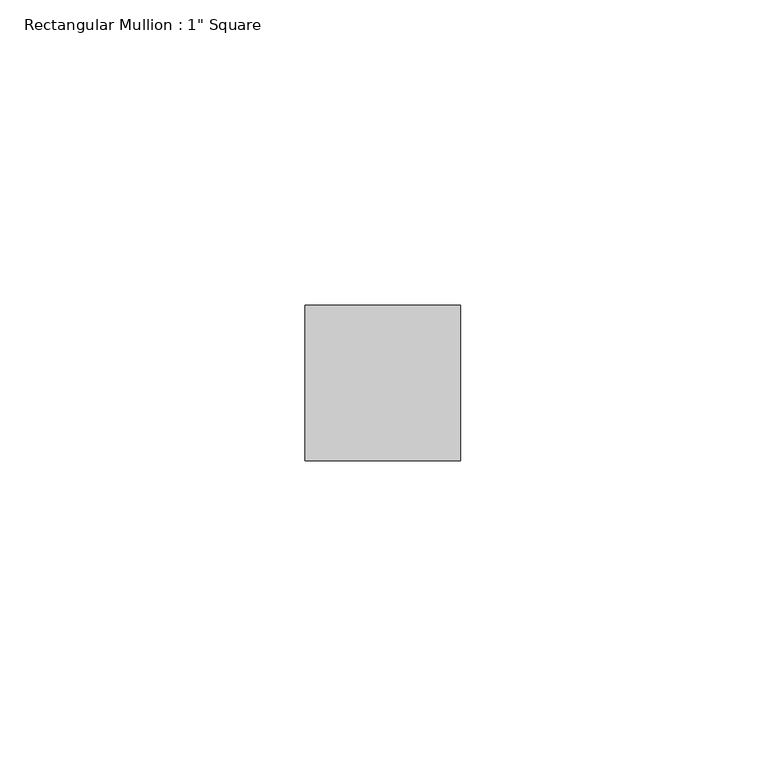
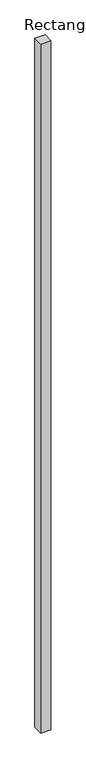
"""IFC4 building model written with IfcOpenShell, lengths in millimetres: member geometry."""

from ifc_helpers import new_model, si_unit, frame, origin, place, context, project, spatial, polyline, outline, extrude, source, transform, mapped, element, save


def member_1744d714(model_context):
    return source(origin(), model_context, "Body", "SweptSolid", [
        extrude(outline(polyline([(12.7, 12.7), (12.7, -12.7), (-12.7, -12.7), (-12.7, 12.7), (12.7, 12.7)])), frame((0.0, 0.0, -1828.8), z_axis=(0.0, 0.0, 1.0), x_axis=(1.0, 0.0, 0.0)), (0.0, 0.0, 1.0), 1828.8),
    ])


if __name__ == "__main__":
    model = new_model("IFC4")
    model_context = context("Model", 3, world=origin())
    ifc_project = project(units=[si_unit("LENGTHUNIT", "METRE", prefix="MILLI")], contexts=[model_context])
    site = spatial("IfcSite", under=ifc_project)
    building = spatial("IfcBuilding", under=site)
    placement = place(None, origin())
    member_shape = member_1744d714(model_context)
    element("IfcMember", 1, ObjectType="Rectangular Mullion : 1\" Square", at=placement, inside=building, context=model_context, shape_type="MappedRepresentation", body=[
        mapped(member_shape, transform((0.0, 0.0, 0.0), x_axis=(1.0, 0.0, 0.0), y_axis=(0.0, 1.0, 0.0), z_axis=(0.0, 0.0, 1.0))),
    ])
    save(model, "model.ifc")
